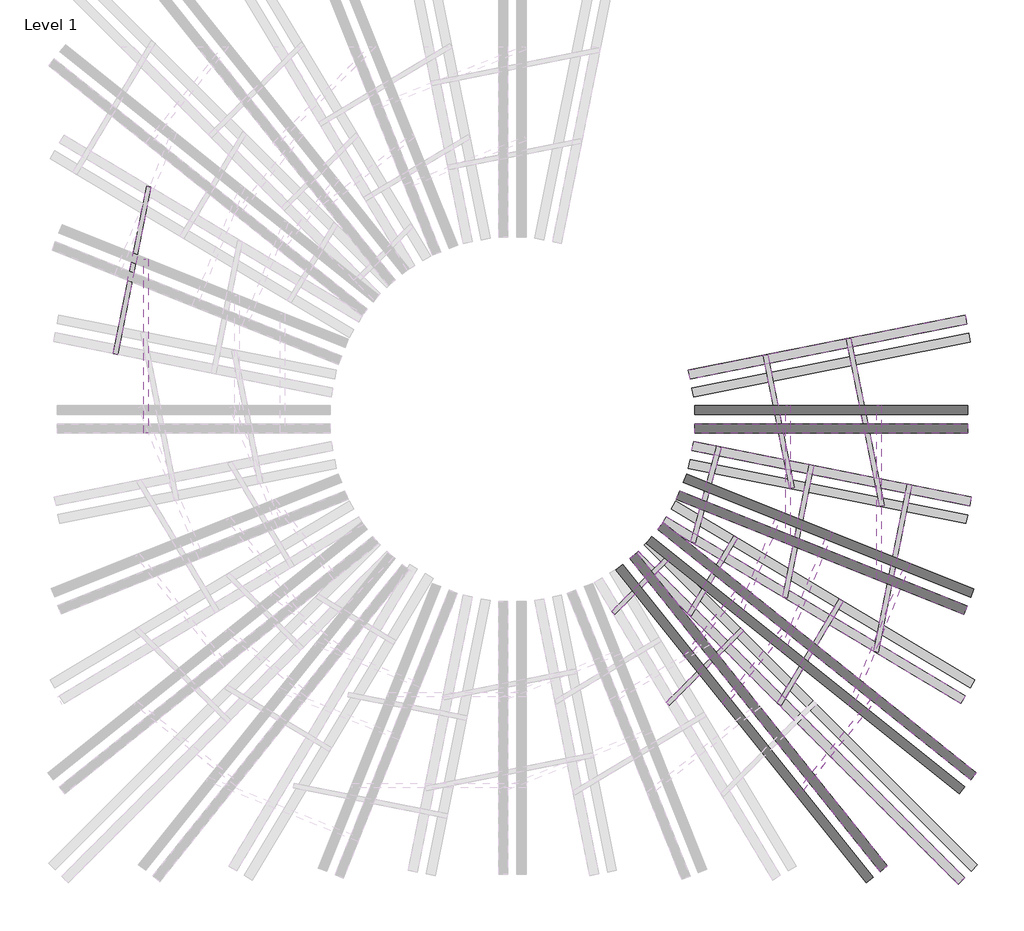
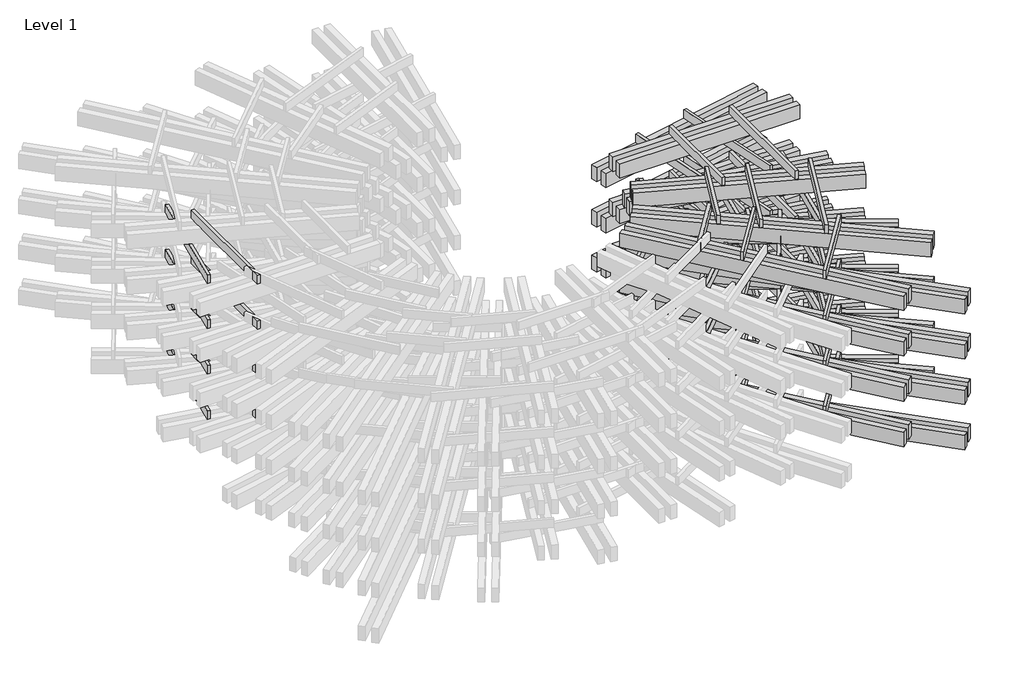
# One storey, part 3 of 4: 108 proxies.
"""IFC4 building model written with IfcOpenShell, lengths in millimetres."""

import ifcopenshell
import ifcopenshell.guid

model = None  # the IFC model being written
_history = None  # IfcOwnerHistory: only IFC2X3 demands one
_inside = {}  # id of a spatial element -> (the spatial element, [elements in it])
_under = {}  # id of a project, library or spatial element -> (it, [spatial elements below it])
_declared = {}  # id of a project -> (the project, [libraries it declares])
_typed = {}  # id of a type object -> (the type object, [elements of that type])
_made_of = {}  # id of a material, layer set ... -> (it, [elements and type objects made of it])


def new_model(schema):
    """Start an empty IFC model of exactly this schema.

    Asked for "IFC4X3", IfcOpenShell would pick the latest addendum, in which some entities
    have other attributes; the version numbers below select the first issue.
    IFC2X3 requires an IfcOwnerHistory on every rooted entity: one is made here for all.
    """
    global model, _history
    if schema == "IFC4X3":
        model = ifcopenshell.file(schema_version=(4, 3, 0, 0))
    else:
        model = ifcopenshell.file(schema=schema)
    _inside.clear()
    _under.clear()
    _declared.clear()
    _typed.clear()
    _made_of.clear()
    _history = None
    if model.schema == "IFC2X3":
        org = make("IfcOrganization", Name="unknown")
        user = make(
            "IfcPersonAndOrganization",
            ThePerson=make("IfcPerson", FamilyName="unknown"),
            TheOrganization=org,
        )
        app = make(
            "IfcApplication",
            ApplicationDeveloper=org,
            Version="unknown",
            ApplicationFullName="unknown",
            ApplicationIdentifier="unknown",
        )
        _history = make(
            "IfcOwnerHistory",
            OwningUser=user,
            OwningApplication=app,
            ChangeAction="ADDED",
            CreationDate=0,
        )
    return model


def make(cls, **values):
    """One entity of the class cls with the attributes given. An attribute that is None is left unset."""
    return model.create_entity(
        cls, **{name: value for name, value in values.items() if value is not None}
    )


def rooted(cls, **values):
    """An entity with a GlobalId (a new one), such as an element, a storey or a relation."""
    return make(cls, GlobalId=ifcopenshell.guid.new(), OwnerHistory=_history, **values)


def si_unit(unit_type, name, prefix=None):
    """IfcSIUnit, for example si_unit("LENGTHUNIT", "METRE", prefix="MILLI")."""
    return make("IfcSIUnit", UnitType=unit_type, Prefix=prefix, Name=name)


def assignment(units):
    """IfcUnitAssignment: the units of a project."""
    return None if units is None else make("IfcUnitAssignment", Units=units)


def point(xyz):
    """IfcCartesianPoint."""
    return None if xyz is None else make("IfcCartesianPoint", Coordinates=xyz)


def direction(xyz):
    """IfcDirection."""
    return None if xyz is None else make("IfcDirection", DirectionRatios=xyz)


def frame(location, z_axis=None, x_axis=None):
    """IfcAxis2Placement3D, a coordinate frame: its origin and axes. An axis left out is left unset."""
    return make(
        "IfcAxis2Placement3D",
        Location=point(location),
        Axis=direction(z_axis),
        RefDirection=direction(x_axis),
    )


def origin():
    """The frame at (0, 0, 0) with its axes left unset."""
    return frame((0.0, 0.0, 0.0))


def origin_with_axes():
    """The frame at (0, 0, 0) with the z axis (0, 0, 1) and the x axis (1, 0, 0) written out."""
    return frame((0.0, 0.0, 0.0), z_axis=(0.0, 0.0, 1.0), x_axis=(1.0, 0.0, 0.0))


def place(relative_to, where):
    """IfcLocalPlacement: puts the frame where relative to a parent placement (None: the world)."""
    return make(
        "IfcLocalPlacement", PlacementRelTo=relative_to, RelativePlacement=where
    )


def context(
    kind, dimensions, precision=None, world=None, true_north=None, identifier=None
):
    """IfcGeometricRepresentationContext, for example the 3D "Model" context."""
    return make(
        "IfcGeometricRepresentationContext",
        ContextIdentifier=identifier,
        ContextType=kind,
        CoordinateSpaceDimension=dimensions,
        Precision=precision,
        WorldCoordinateSystem=world,
        TrueNorth=true_north,
    )


def project(units=None, contexts=None):
    """IfcProject with its units and contexts."""
    return rooted(
        "IfcProject",
        Name="project",
        RepresentationContexts=contexts,
        UnitsInContext=assignment(units),
    )


def spatial(cls, under=None, at=None, **own):
    """A site, building, storey or space (cls), placed at a placement, below another one or the project."""
    s = rooted(cls, ObjectPlacement=at, **own)
    if under is not None:
        _under.setdefault(under.id(), (under, []))[1].append(s)
    return s


def polyline(points):
    """IfcPolyline through the points."""
    return make("IfcPolyline", Points=[point(p) for p in points])


def outline(outer, holes=None, kind="AREA"):
    """IfcArbitraryClosedProfileDef: a profile drawn as a closed curve; with holes, ...WithVoids."""
    if holes is None:
        return make("IfcArbitraryClosedProfileDef", ProfileType=kind, OuterCurve=outer)
    return make(
        "IfcArbitraryProfileDefWithVoids",
        ProfileType=kind,
        OuterCurve=outer,
        InnerCurves=holes,
    )


def extrude(swept, where, along, depth):
    """IfcExtrudedAreaSolid: the profile swept, set in the frame where, extruded along a direction by depth."""
    return make(
        "IfcExtrudedAreaSolid",
        SweptArea=swept,
        Position=where,
        ExtrudedDirection=direction(along),
        Depth=depth,
    )


def shape(context_of_items, identifier, shape_type, items):
    """IfcShapeRepresentation: the items that make up one representation, for example the "Body"."""
    return make(
        "IfcShapeRepresentation",
        ContextOfItems=context_of_items,
        RepresentationIdentifier=identifier,
        RepresentationType=shape_type,
        Items=items,
    )


def source(mapping_origin, context_of_items, identifier, shape_type, items):
    """IfcRepresentationMap: a shape defined once, which mapped items show again and again."""
    return make(
        "IfcRepresentationMap",
        MappingOrigin=mapping_origin,
        MappedRepresentation=shape(context_of_items, identifier, shape_type, items),
    )


def transform(
    local_origin,
    x_axis=None,
    y_axis=None,
    z_axis=None,
    scale=None,
    scale2=None,
    scale3=None,
    uniform=True,
):
    """IfcCartesianTransformationOperator3D, or its non-uniform kind. x_axis, y_axis, z_axis: its Axis1, 2, 3."""
    if uniform:
        return make(
            "IfcCartesianTransformationOperator3D",
            Axis1=direction(x_axis),
            Axis2=direction(y_axis),
            LocalOrigin=point(local_origin),
            Scale=scale,
            Axis3=direction(z_axis),
        )
    return make(
        "IfcCartesianTransformationOperator3DnonUniform",
        Axis1=direction(x_axis),
        Axis2=direction(y_axis),
        LocalOrigin=point(local_origin),
        Scale=scale,
        Axis3=direction(z_axis),
        Scale2=scale2,
        Scale3=scale3,
    )


def mapped(mapping_source, mapping_target):
    """IfcMappedItem: shows the shape of a source again, moved by a transform."""
    return make(
        "IfcMappedItem", MappingSource=mapping_source, MappingTarget=mapping_target
    )


def made_of(thing, what):
    """Note that an element or type object is made of a material, layer set ...; save() writes the relation."""
    if what is not None:
        _made_of.setdefault(what.id(), (what, []))[1].append(thing)
    return thing


def element(
    cls,
    number,
    at=None,
    inside=None,
    cuts=None,
    type_object=None,
    material=None,
    context=None,
    identifier="Body",
    shape_type=None,
    held_by="IfcProductDefinitionShape",
    body=None,
    shapes=None,
    **own,
):
    """One element of the class cls, such as IfcWall. Its Tag is "e" and its number.

    at: its placement. inside: the storey or other place that contains it. cuts: it is an
    opening in that element (IfcRelVoidsElement). A single representation is given by context,
    identifier, shape_type and body (its items); several are given by shapes. held_by: the class
    of the entity that holds the representations. save() writes the other relations.
    """
    e = rooted(cls, Tag="e%d" % number, ObjectPlacement=at, **own)
    if body is not None:
        shapes = [shape(context, identifier, shape_type, body)]
    if shapes is not None:
        e.Representation = make(held_by, Representations=shapes)
    if inside is not None:
        _inside.setdefault(inside.id(), (inside, []))[1].append(e)
    if cuts is not None:
        rooted(
            "IfcRelVoidsElement", RelatingBuildingElement=cuts, RelatedOpeningElement=e
        )
    if type_object is not None:
        _typed.setdefault(type_object.id(), (type_object, []))[1].append(e)
    return made_of(e, material)


def aggregate(whole, parts):
    """IfcRelAggregates: a whole, such as a stair, and the parts it consists of."""
    return rooted("IfcRelAggregates", RelatingObject=whole, RelatedObjects=parts)


def save(model, path):
    """Write the relations noted so far, then the file.

    IfcRelAggregates (storeys below a building ...), IfcRelContainedInSpatialStructure (elements
    in a storey), IfcRelDefinesByType, IfcRelAssociatesMaterial and IfcRelDeclares: one each for
    every whole, place, type object, material and project.
    """
    for whole, parts in _under.values():
        aggregate(whole, parts)
    for where, things in _inside.values():
        rooted(
            "IfcRelContainedInSpatialStructure",
            RelatedElements=things,
            RelatingStructure=where,
        )
    for kind, things in _typed.values():
        rooted("IfcRelDefinesByType", RelatedObjects=things, RelatingType=kind)
    for what, things in _made_of.values():
        rooted("IfcRelAssociatesMaterial", RelatedObjects=things, RelatingMaterial=what)
    for by, libraries in _declared.values():
        rooted("IfcRelDeclares", RelatingContext=by, RelatedDefinitions=libraries)
    model.write(path)


def generic_models_57731a55(model_context):
    return source(origin(), model_context, "Body", "SweptSolid", [
        extrude(outline(polyline([(7655.9985871, 300.0), (7655.9985871, 100.0), (0.0, 100.0), (0.0, 300.0), (7655.9985871, 300.0)])), origin_with_axes(), (0.0, 0.0, 1.0), 500.0),
        extrude(outline(polyline([(7655.9985871, -100.0), (7655.9985871, -300.0), (0.0, -300.0), (0.0, -100.0), (7655.9985871, -100.0)])), origin_with_axes(), (0.0, 0.0, 1.0), 500.0),
    ])


def generic_models_740deff8(model_context):
    return source(origin(), model_context, "Body", "SweptSolid", [
        extrude(outline(polyline([(10142.1356237, 300.0), (10142.1356237, 100.0), (0.0, 100.0), (0.0, 300.0), (10142.1356237, 300.0)])), origin_with_axes(), (0.0, 0.0, 1.0), 500.0),
        extrude(outline(polyline([(10142.1356237, -100.0), (10142.1356237, -300.0), (0.0, -300.0), (0.0, -100.0), (10142.1356237, -100.0)])), origin_with_axes(), (0.0, 0.0, 1.0), 500.0),
    ])


def generic_models_03fcefc6(model_context):
    return source(origin(), model_context, "Body", "SweptSolid", [
        extrude(outline(polyline([(6216.8468769, 300.0), (6216.8468769, 100.0), (0.0, 100.0), (0.0, 300.0), (6216.8468769, 300.0)])), origin_with_axes(), (0.0, 0.0, 1.0), 500.0),
        extrude(outline(polyline([(6216.8468769, -100.0), (6216.8468769, -300.0), (0.0, -300.0), (0.0, -100.0), (6216.8468769, -100.0)])), origin_with_axes(), (0.0, 0.0, 1.0), 500.0),
    ])


def generic_models_6dcbac5b(model_context):
    return source(origin(), model_context, "Body", "SweptSolid", [
        extrude(outline(polyline([(6197.2888721, 300.0), (6197.2888721, 100.0), (0.0, 100.0), (0.0, 300.0), (6197.2888721, 300.0)])), origin_with_axes(), (0.0, 0.0, 1.0), 500.0),
        extrude(outline(polyline([(6197.2888721, -100.0), (6197.2888721, -300.0), (0.0, -300.0), (0.0, -100.0), (6197.2888721, -100.0)])), origin_with_axes(), (0.0, 0.0, 1.0), 500.0),
    ])


def generic_models_d1bfbe83(model_context):
    return source(origin(), model_context, "Body", "SweptSolid", [
        extrude(outline(polyline([(3756.9821934, 0.0), (3756.9821934, -100.0), (0.0, -100.0), (0.0, 0.0), (3756.9821934, 0.0)])), origin_with_axes(), (0.0, 0.0, 1.0), 300.0),
    ])


def generic_models_bb149883(model_context):
    return source(origin(), model_context, "Body", "SweptSolid", [
        extrude(outline(polyline([(2311.22763, 0.0), (2311.22763, -100.0), (0.0, -100.0), (0.0, 0.0), (2311.22763, 0.0)])), origin_with_axes(), (0.0, 0.0, 1.0), 300.0),
    ])


def generic_models_1dce0b28(model_context):
    return source(origin(), model_context, "Body", "SweptSolid", [
        extrude(outline(polyline([(1743.9178764, 0.0), (1743.9178764, -100.0), (0.0, -100.0), (0.0, 0.0), (1743.9178764, 0.0)])), origin_with_axes(), (0.0, 0.0, 1.0), 300.0),
    ])


def generic_models_f671ce6b(model_context):
    return source(origin(), model_context, "Body", "SweptSolid", [
        extrude(outline(polyline([(1985.9237035, 0.0), (1985.9237035, -100.0), (0.0, -100.0), (0.0, 0.0), (1985.9237035, 0.0)])), origin_with_axes(), (0.0, 0.0, 1.0), 300.0),
    ])


def generic_models_fa1612b0(model_context):
    return source(origin(), model_context, "Body", "SweptSolid", [
        extrude(outline(polyline([(2967.5657531, 0.0), (2967.5657531, -100.0), (0.0, -100.0), (0.0, 0.0), (2967.5657531, 0.0)])), origin_with_axes(), (0.0, 0.0, 1.0), 300.0),
    ])


def generic_models_4e0c1b7c(model_context):
    return source(origin(), model_context, "Body", "SweptSolid", [
        extrude(outline(polyline([(3750.5861993, 0.0), (3750.5861993, -100.0), (0.0, -100.0), (0.0, 0.0), (3750.5861993, 0.0)])), origin_with_axes(), (0.0, 0.0, 1.0), 300.0),
    ])


def generic_models_72f4328a(model_context):
    return source(origin(), model_context, "Body", "SweptSolid", [
        extrude(outline(polyline([(2664.3824417, 0.0), (2664.3824417, -100.0), (0.0, -100.0), (0.0, 0.0), (2664.3824417, 0.0)])), origin_with_axes(), (0.0, 0.0, 1.0), 300.0),
    ])


def generic_models_48004717(model_context):
    return source(origin(), model_context, "Body", "SweptSolid", [
        extrude(outline(polyline([(2181.9201525, 0.0), (2181.9201525, -100.0), (0.0, -100.0), (0.0, 0.0), (2181.9201525, 0.0)])), origin_with_axes(), (0.0, 0.0, 1.0), 300.0),
    ])


def generic_models_be3216ea(model_context):
    return source(origin(), model_context, "Body", "SweptSolid", [
        extrude(outline(polyline([(2985.2252687, 0.0), (2985.2252687, -100.0), (0.0, -100.0), (0.0, 0.0), (2985.2252687, 0.0)])), origin_with_axes(), (0.0, 0.0, 1.0), 300.0),
    ])


def generic_models_71b755c9(model_context):
    return source(origin(), model_context, "Body", "SweptSolid", [
        extrude(outline(polyline([(8806.2484749, 300.0), (8806.2484749, 100.0), (0.0, 100.0), (0.0, 300.0), (8806.2484749, 300.0)])), origin_with_axes(), (0.0, 0.0, 1.0), 500.0),
        extrude(outline(polyline([(8806.2484749, -100.0), (8806.2484749, -300.0), (0.0, -300.0), (0.0, -100.0), (8806.2484749, -100.0)])), origin_with_axes(), (0.0, 0.0, 1.0), 500.0),
    ])


def generic_models_0ee42b4f(model_context):
    return source(origin(), model_context, "Body", "SweptSolid", [
        extrude(outline(polyline([(6000.0, 300.0), (6000.0, 100.0), (0.0, 100.0), (0.0, 300.0), (6000.0, 300.0)])), origin_with_axes(), (0.0, 0.0, 1.0), 500.0),
        extrude(outline(polyline([(6000.0, -100.0), (6000.0, -300.0), (0.0, -300.0), (0.0, -100.0), (6000.0, -100.0)])), origin_with_axes(), (0.0, 0.0, 1.0), 500.0),
    ])


def generic_models_72d8c497(model_context):
    return source(origin(), model_context, "Body", "SweptSolid", [
        extrude(outline(polyline([(6795.6208467, 300.0), (6795.6208467, 100.0), (0.0, 100.0), (0.0, 300.0), (6795.6208467, 300.0)])), origin_with_axes(), (0.0, 0.0, 1.0), 500.0),
        extrude(outline(polyline([(6795.6208467, -100.0), (6795.6208467, -300.0), (0.0, -300.0), (0.0, -100.0), (6795.6208467, -100.0)])), origin_with_axes(), (0.0, 0.0, 1.0), 500.0),
    ])


def generic_models_3bcea73a(model_context):
    return source(origin(), model_context, "Body", "SweptSolid", [
        extrude(outline(polyline([(3398.9017026, 0.0), (3398.9017026, -100.0), (0.0, -100.0), (0.0, 0.0), (3398.9017026, 0.0)])), origin_with_axes(), (0.0, 0.0, 1.0), 300.0),
    ])


def generic_models_ffb44adb(model_context):
    return source(origin(), model_context, "Body", "SweptSolid", [
        extrude(outline(polyline([(2841.8156881, 0.0), (2841.8156881, -100.0), (0.0, -100.0), (0.0, 0.0), (2841.8156881, 0.0)])), origin_with_axes(), (0.0, 0.0, 1.0), 300.0),
    ])


def generic_models_43e668eb(model_context):
    return source(origin(), model_context, "Body", "SweptSolid", [
        extrude(outline(polyline([(3823.1098884, 0.0), (3823.1098884, -100.0), (0.0, -100.0), (0.0, 0.0), (3823.1098884, 0.0)])), origin_with_axes(), (0.0, 0.0, 1.0), 300.0),
    ])


def generic_models_e5d6c564(model_context):
    return source(origin(), model_context, "Body", "SweptSolid", [
        extrude(outline(polyline([(3023.1098884, 0.0), (3023.1098884, -100.0), (0.0, -100.0), (0.0, 0.0), (3023.1098884, 0.0)])), origin_with_axes(), (0.0, 0.0, 1.0), 300.0),
    ])


def generic_models_5bc6048f(model_context):
    return source(origin(), model_context, "Body", "SweptSolid", [
        extrude(outline(polyline([(2292.5622345, 0.0), (2292.5622345, -100.0), (0.0, -100.0), (0.0, 0.0), (2292.5622345, 0.0)])), origin_with_axes(), (0.0, 0.0, 1.0), 300.0),
    ])


def generic_models_02835583(model_context):
    return source(origin(), model_context, "Body", "SweptSolid", [
        extrude(outline(polyline([(2020.0159728, 0.0), (2020.0159728, -100.0), (0.0, -100.0), (0.0, 0.0), (2020.0159728, 0.0)])), origin_with_axes(), (0.0, 0.0, 1.0), 300.0),
    ])


def generic_models_0e7b56c9(model_context):
    return source(origin(), model_context, "Body", "SweptSolid", [
        extrude(outline(polyline([(2483.2021432, 0.0), (2483.2021432, -100.0), (0.0, -100.0), (0.0, 0.0), (2483.2021432, 0.0)])), origin_with_axes(), (0.0, 0.0, 1.0), 300.0),
    ])


def generic_models_9be761a4(model_context):
    return source(origin(), model_context, "Body", "SweptSolid", [
        extrude(outline(polyline([(2854.2496461, 0.0), (2854.2496461, -100.0), (0.0, -100.0), (0.0, 0.0), (2854.2496461, 0.0)])), origin_with_axes(), (0.0, 0.0, 1.0), 300.0),
    ])


model = new_model("IFC4")

# Units and contexts
model_context = context("Model", 3, world=origin())
ifc_project = project(units=[si_unit("LENGTHUNIT", "METRE", prefix="MILLI")], contexts=[model_context])

# Site, building, storey
site = spatial("IfcSite", under=ifc_project)
building = spatial("IfcBuilding", under=site)
storey = spatial("IfcBuildingStorey", under=building, Name="Level 1", Elevation=0.0)

# Proxies
placement = place(None, origin())
generic_models_shape = generic_models_57731a55(model_context)
element("IfcBuildingElementProxy", 1, Name="Generic Models", at=placement, inside=storey, context=model_context, shape_type="MappedRepresentation", body=[
    mapped(generic_models_shape, transform((1375.6940168, -5246.7606397, 0.0), x_axis=(0.8579273517618619, -0.5137710181577766, 0.0), y_axis=(0.5137710181577766, 0.8579273517618619, 0.0), z_axis=(0.0, 0.0, 1.0))),
])
element("IfcBuildingElementProxy", 2, Name="Generic Models", at=placement, inside=storey, context=model_context, shape_type="MappedRepresentation", body=[
    mapped(generic_models_shape, transform((1375.6940168, -5246.7606397, 1600.0), x_axis=(0.8579273517618603, -0.5137710181577793, 0.0), y_axis=(0.5137710181577793, 0.8579273517618603, 0.0), z_axis=(0.0, 0.0, 1.0))),
])
element("IfcBuildingElementProxy", 3, Name="Generic Models", at=placement, inside=storey, context=model_context, shape_type="MappedRepresentation", body=[
    mapped(generic_models_shape, transform((1375.6940168, -5246.7606397, 3200.0), x_axis=(0.8579273517618603, -0.5137710181577793, 0.0), y_axis=(0.5137710181577793, 0.8579273517618603, 0.0), z_axis=(0.0, 0.0, 1.0))),
])
element("IfcBuildingElementProxy", 4, Name="Generic Models", at=placement, inside=storey, context=model_context, shape_type="MappedRepresentation", body=[
    mapped(generic_models_shape, transform((1375.6940168, -5246.7606397, 4800.0), x_axis=(0.8579273517618603, -0.5137710181577793, 0.0), y_axis=(0.5137710181577793, 0.8579273517618603, 0.0), z_axis=(0.0, 0.0, 1.0))),
])
generic_models_2_shape = generic_models_740deff8(model_context)
element("IfcBuildingElementProxy", 5, Name="Generic Models", at=placement, inside=storey, context=model_context, shape_type="MappedRepresentation", body=[
    mapped(generic_models_2_shape, transform((772.4117345, -6020.1036918, 0.0), x_axis=(0.7071067811865459, -0.7071067811865491, 0.0), y_axis=(0.7071067811865491, 0.7071067811865459, 0.0), z_axis=(0.0, 0.0, 1.0))),
])
element("IfcBuildingElementProxy", 6, Name="Generic Models", at=placement, inside=storey, context=model_context, shape_type="MappedRepresentation", body=[
    mapped(generic_models_2_shape, transform((772.4117345, -6020.1036918, 1600.0), x_axis=(0.7071067811865459, -0.7071067811865492, 0.0), y_axis=(0.7071067811865492, 0.7071067811865459, 0.0), z_axis=(0.0, 0.0, 1.0))),
])
element("IfcBuildingElementProxy", 7, Name="Generic Models", at=placement, inside=storey, context=model_context, shape_type="MappedRepresentation", body=[
    mapped(generic_models_2_shape, transform((772.4117345, -6020.1036918, 3200.0), x_axis=(0.7071067811865459, -0.7071067811865492, 0.0), y_axis=(0.7071067811865492, 0.7071067811865459, 0.0), z_axis=(0.0, 0.0, 1.0))),
])
element("IfcBuildingElementProxy", 8, Name="Generic Models", at=placement, inside=storey, context=model_context, shape_type="MappedRepresentation", body=[
    mapped(generic_models_2_shape, transform((772.4117345, -6020.1036918, 4800.0), x_axis=(0.7071067811865459, -0.7071067811865492, 0.0), y_axis=(0.7071067811865492, 0.7071067811865459, 0.0), z_axis=(0.0, 0.0, 1.0))),
])
generic_models_3_shape = generic_models_03fcefc6(model_context)
element("IfcBuildingElementProxy", 9, Name="Generic Models", at=placement, inside=storey, context=model_context, shape_type="MappedRepresentation", body=[
    mapped(generic_models_3_shape, transform((1866.5958549, -3974.6970133, 0.0), x_axis=(0.9806528112970722, -0.19575511154283826, 0.0), y_axis=(0.19575511154283826, 0.9806528112970722, 0.0), z_axis=(0.0, 0.0, 1.0))),
])
element("IfcBuildingElementProxy", 10, Name="Generic Models", at=placement, inside=storey, context=model_context, shape_type="MappedRepresentation", body=[
    mapped(generic_models_3_shape, transform((1866.5958549, -3974.6970133, 1600.0), x_axis=(0.9806528112970722, -0.19575511154283837, 0.0), y_axis=(0.19575511154283837, 0.9806528112970722, 0.0), z_axis=(0.0, 0.0, 1.0))),
])
element("IfcBuildingElementProxy", 11, Name="Generic Models", at=placement, inside=storey, context=model_context, shape_type="MappedRepresentation", body=[
    mapped(generic_models_3_shape, transform((1866.5958549, -3974.6970133, 3200.0), x_axis=(0.9806528112970722, -0.19575511154283837, 0.0), y_axis=(0.19575511154283837, 0.9806528112970722, 0.0), z_axis=(0.0, 0.0, 1.0))),
])
element("IfcBuildingElementProxy", 12, Name="Generic Models", at=placement, inside=storey, context=model_context, shape_type="MappedRepresentation", body=[
    mapped(generic_models_3_shape, transform((1866.5958549, -3974.6970133, 4800.0), x_axis=(0.9806528112970722, -0.19575511154283837, 0.0), y_axis=(0.19575511154283837, 0.9806528112970722, 0.0), z_axis=(0.0, 0.0, 1.0))),
])
generic_models_4_shape = generic_models_6dcbac5b(model_context)
element("IfcBuildingElementProxy", 13, Name="Generic Models", at=placement, inside=storey, context=model_context, shape_type="MappedRepresentation", body=[
    mapped(generic_models_4_shape, transform((1866.5958549, -2408.6561209, 0.0), x_axis=(0.9806528112970727, 0.19575511154283512, 0.0), y_axis=(-0.19575511154283512, 0.9806528112970727, 0.0), z_axis=(0.0, 0.0, 1.0))),
])
element("IfcBuildingElementProxy", 14, Name="Generic Models", at=placement, inside=storey, context=model_context, shape_type="MappedRepresentation", body=[
    mapped(generic_models_4_shape, transform((1866.5958549, -2408.6561209, 1600.0), x_axis=(0.9806528112970727, 0.19575511154283512, 0.0), y_axis=(-0.19575511154283512, 0.9806528112970727, 0.0), z_axis=(0.0, 0.0, 1.0))),
])
element("IfcBuildingElementProxy", 15, Name="Generic Models", at=placement, inside=storey, context=model_context, shape_type="MappedRepresentation", body=[
    mapped(generic_models_4_shape, transform((1866.5958549, -2408.6561209, 3200.0), x_axis=(0.9806528112970727, 0.19575511154283512, 0.0), y_axis=(-0.19575511154283512, 0.9806528112970727, 0.0), z_axis=(0.0, 0.0, 1.0))),
])
element("IfcBuildingElementProxy", 16, Name="Generic Models", at=placement, inside=storey, context=model_context, shape_type="MappedRepresentation", body=[
    mapped(generic_models_4_shape, transform((1866.5958549, -2408.6561209, 4800.0), x_axis=(0.9806528112970727, 0.19575511154283512, 0.0), y_axis=(-0.19575511154283512, 0.9806528112970727, 0.0), z_axis=(0.0, 0.0, 1.0))),
])
generic_models_5_shape = generic_models_d1bfbe83(model_context)
element("IfcBuildingElementProxy", 17, Name="Generic Models", at=placement, inside=storey, context=model_context, shape_type="MappedRepresentation", body=[
    mapped(generic_models_5_shape, transform((6007.5855255, -5107.2282027, 500.0), x_axis=(-0.1957551115428336, 0.9806528112970732, 0.0), y_axis=(-0.9806528112970732, -0.1957551115428336, 0.0), z_axis=(0.0, 0.0, 1.0))),
])
element("IfcBuildingElementProxy", 18, Name="Generic Models", at=placement, inside=storey, context=model_context, shape_type="MappedRepresentation", body=[
    mapped(generic_models_5_shape, transform((6007.5855255, -5107.2282027, 2100.0), x_axis=(-0.1957551115428336, 0.9806528112970732, 0.0), y_axis=(-0.9806528112970732, -0.1957551115428336, 0.0), z_axis=(0.0, 0.0, 1.0))),
])
element("IfcBuildingElementProxy", 19, Name="Generic Models", at=placement, inside=storey, context=model_context, shape_type="MappedRepresentation", body=[
    mapped(generic_models_5_shape, transform((6007.5855255, -5107.2282027, 3700.0), x_axis=(-0.1957551115428336, 0.9806528112970732, 0.0), y_axis=(-0.9806528112970732, -0.1957551115428336, 0.0), z_axis=(0.0, 0.0, 1.0))),
])
element("IfcBuildingElementProxy", 20, Name="Generic Models", at=placement, inside=storey, context=model_context, shape_type="MappedRepresentation", body=[
    mapped(generic_models_5_shape, transform((6007.5855255, -5107.2282027, 5300.0), x_axis=(-0.1957551115428336, 0.9806528112970732, 0.0), y_axis=(-0.9806528112970732, -0.1957551115428336, 0.0), z_axis=(0.0, 0.0, 1.0))),
])
generic_models_6_shape = generic_models_bb149883(model_context)
element("IfcBuildingElementProxy", 21, Name="Generic Models", at=placement, inside=storey, context=model_context, shape_type="MappedRepresentation", body=[
    mapped(generic_models_6_shape, transform((1318.3861926, -9410.3835413, 500.0), x_axis=(0.7071067811865481, 0.707106781186547, 0.0), y_axis=(-0.707106781186547, 0.7071067811865481, 0.0), z_axis=(0.0, 0.0, 1.0))),
])
element("IfcBuildingElementProxy", 22, Name="Generic Models", at=placement, inside=storey, context=model_context, shape_type="MappedRepresentation", body=[
    mapped(generic_models_6_shape, transform((1318.3861926, -9410.3835413, 2100.0), x_axis=(0.7071067811865481, 0.707106781186547, 0.0), y_axis=(-0.707106781186547, 0.7071067811865481, 0.0), z_axis=(0.0, 0.0, 1.0))),
])
element("IfcBuildingElementProxy", 23, Name="Generic Models", at=placement, inside=storey, context=model_context, shape_type="MappedRepresentation", body=[
    mapped(generic_models_6_shape, transform((1318.3861926, -9410.3835413, 3700.0), x_axis=(0.7071067811865481, 0.707106781186547, 0.0), y_axis=(-0.707106781186547, 0.7071067811865481, 0.0), z_axis=(0.0, 0.0, 1.0))),
])
element("IfcBuildingElementProxy", 24, Name="Generic Models", at=placement, inside=storey, context=model_context, shape_type="MappedRepresentation", body=[
    mapped(generic_models_6_shape, transform((1318.3861926, -9410.3835413, 5300.0), x_axis=(0.7071067811865481, 0.707106781186547, 0.0), y_axis=(-0.707106781186547, 0.7071067811865481, 0.0), z_axis=(0.0, 0.0, 1.0))),
])
generic_models_7_shape = generic_models_1dce0b28(model_context)
element("IfcBuildingElementProxy", 25, Name="Generic Models", at=placement, inside=storey, context=model_context, shape_type="MappedRepresentation", body=[
    mapped(generic_models_7_shape, transform((120.6833403, -7410.3835413, 500.0), x_axis=(0.7071067811865483, 0.7071067811865468, 0.0), y_axis=(-0.7071067811865468, 0.7071067811865483, 0.0), z_axis=(0.0, 0.0, 1.0))),
])
element("IfcBuildingElementProxy", 26, Name="Generic Models", at=placement, inside=storey, context=model_context, shape_type="MappedRepresentation", body=[
    mapped(generic_models_7_shape, transform((120.6833403, -7410.3835413, 2100.0), x_axis=(0.7071067811865483, 0.7071067811865468, 0.0), y_axis=(-0.7071067811865468, 0.7071067811865483, 0.0), z_axis=(0.0, 0.0, 1.0))),
])
element("IfcBuildingElementProxy", 27, Name="Generic Models", at=placement, inside=storey, context=model_context, shape_type="MappedRepresentation", body=[
    mapped(generic_models_7_shape, transform((120.6833403, -7410.3835413, 3700.0), x_axis=(0.7071067811865483, 0.7071067811865468, 0.0), y_axis=(-0.7071067811865468, 0.7071067811865483, 0.0), z_axis=(0.0, 0.0, 1.0))),
])
element("IfcBuildingElementProxy", 28, Name="Generic Models", at=placement, inside=storey, context=model_context, shape_type="MappedRepresentation", body=[
    mapped(generic_models_7_shape, transform((120.6833403, -7410.3835413, 5300.0), x_axis=(0.7071067811865483, 0.7071067811865468, 0.0), y_axis=(-0.7071067811865468, 0.7071067811865483, 0.0), z_axis=(0.0, 0.0, 1.0))),
])
generic_models_8_shape = generic_models_f671ce6b(model_context)
element("IfcBuildingElementProxy", 29, Name="Generic Models", at=placement, inside=storey, context=model_context, shape_type="MappedRepresentation", body=[
    mapped(generic_models_8_shape, transform((1785.0760717, -7457.0320978, 500.0), x_axis=(0.5137710181577778, 0.8579273517618613, 0.0), y_axis=(-0.8579273517618613, 0.5137710181577778, 0.0), z_axis=(0.0, 0.0, 1.0))),
])
element("IfcBuildingElementProxy", 30, Name="Generic Models", at=placement, inside=storey, context=model_context, shape_type="MappedRepresentation", body=[
    mapped(generic_models_8_shape, transform((1785.0760717, -7457.0320978, 2100.0), x_axis=(0.5137710181577778, 0.8579273517618613, 0.0), y_axis=(-0.8579273517618613, 0.5137710181577778, 0.0), z_axis=(0.0, 0.0, 1.0))),
])
element("IfcBuildingElementProxy", 31, Name="Generic Models", at=placement, inside=storey, context=model_context, shape_type="MappedRepresentation", body=[
    mapped(generic_models_8_shape, transform((1785.0760717, -7457.0320978, 3700.0), x_axis=(0.5137710181577778, 0.8579273517618613, 0.0), y_axis=(-0.8579273517618613, 0.5137710181577778, 0.0), z_axis=(0.0, 0.0, 1.0))),
])
element("IfcBuildingElementProxy", 32, Name="Generic Models", at=placement, inside=storey, context=model_context, shape_type="MappedRepresentation", body=[
    mapped(generic_models_8_shape, transform((1785.0760717, -7457.0320978, 5300.0), x_axis=(0.5137710181577778, 0.8579273517618613, 0.0), y_axis=(-0.8579273517618613, 0.5137710181577778, 0.0), z_axis=(0.0, 0.0, 1.0))),
])
generic_models_9_shape = generic_models_fa1612b0(model_context)
element("IfcBuildingElementProxy", 33, Name="Generic Models", at=placement, inside=storey, context=model_context, shape_type="MappedRepresentation", body=[
    mapped(generic_models_9_shape, transform((3881.6357425, -7097.1273737, 500.0), x_axis=(0.19575511154283703, 0.9806528112970725, 0.0), y_axis=(-0.9806528112970725, 0.19575511154283703, 0.0), z_axis=(0.0, 0.0, 1.0))),
])
element("IfcBuildingElementProxy", 34, Name="Generic Models", at=placement, inside=storey, context=model_context, shape_type="MappedRepresentation", body=[
    mapped(generic_models_9_shape, transform((3881.6357425, -7097.1273737, 2100.0), x_axis=(0.19575511154283703, 0.9806528112970725, 0.0), y_axis=(-0.9806528112970725, 0.19575511154283703, 0.0), z_axis=(0.0, 0.0, 1.0))),
])
element("IfcBuildingElementProxy", 35, Name="Generic Models", at=placement, inside=storey, context=model_context, shape_type="MappedRepresentation", body=[
    mapped(generic_models_9_shape, transform((3881.6357425, -7097.1273737, 3700.0), x_axis=(0.19575511154283703, 0.9806528112970725, 0.0), y_axis=(-0.9806528112970725, 0.19575511154283703, 0.0), z_axis=(0.0, 0.0, 1.0))),
])
element("IfcBuildingElementProxy", 36, Name="Generic Models", at=placement, inside=storey, context=model_context, shape_type="MappedRepresentation", body=[
    mapped(generic_models_9_shape, transform((3881.6357425, -7097.1273737, 5300.0), x_axis=(0.19575511154283703, 0.9806528112970725, 0.0), y_axis=(-0.9806528112970725, 0.19575511154283703, 0.0), z_axis=(0.0, 0.0, 1.0))),
])
generic_models_10_shape = generic_models_4e0c1b7c(model_context)
element("IfcBuildingElementProxy", 37, Name="Generic Models", at=placement, inside=storey, context=model_context, shape_type="MappedRepresentation", body=[
    mapped(generic_models_10_shape, transform((-9993.666523, 1911.4770919, 500.0), x_axis=(-0.19575511154283684, -0.9806528112970724, 0.0), y_axis=(0.9806528112970724, -0.19575511154283684, 0.0), z_axis=(0.0, 0.0, 1.0))),
])
element("IfcBuildingElementProxy", 38, Name="Generic Models", at=placement, inside=storey, context=model_context, shape_type="MappedRepresentation", body=[
    mapped(generic_models_10_shape, transform((5881.6357425, -8294.8302261, 500.0), x_axis=(0.19575511154283698, 0.9806528112970724, 0.0), y_axis=(-0.9806528112970724, 0.19575511154283698, 0.0), z_axis=(0.0, 0.0, 1.0))),
])
element("IfcBuildingElementProxy", 39, Name="Generic Models", at=placement, inside=storey, context=model_context, shape_type="MappedRepresentation", body=[
    mapped(generic_models_10_shape, transform((-9993.666523, 1911.4770919, 2100.0), x_axis=(-0.19575511154283684, -0.9806528112970724, 0.0), y_axis=(0.9806528112970724, -0.19575511154283684, 0.0), z_axis=(0.0, 0.0, 1.0))),
])
element("IfcBuildingElementProxy", 40, Name="Generic Models", at=placement, inside=storey, context=model_context, shape_type="MappedRepresentation", body=[
    mapped(generic_models_10_shape, transform((5881.6357425, -8294.8302261, 2100.0), x_axis=(0.19575511154283698, 0.9806528112970724, 0.0), y_axis=(-0.9806528112970724, 0.19575511154283698, 0.0), z_axis=(0.0, 0.0, 1.0))),
])
element("IfcBuildingElementProxy", 41, Name="Generic Models", at=placement, inside=storey, context=model_context, shape_type="MappedRepresentation", body=[
    mapped(generic_models_10_shape, transform((-9993.666523, 1911.4770919, 3700.0), x_axis=(-0.19575511154283684, -0.9806528112970724, 0.0), y_axis=(0.9806528112970724, -0.19575511154283684, 0.0), z_axis=(0.0, 0.0, 1.0))),
])
element("IfcBuildingElementProxy", 42, Name="Generic Models", at=placement, inside=storey, context=model_context, shape_type="MappedRepresentation", body=[
    mapped(generic_models_10_shape, transform((5881.6357425, -8294.8302261, 3700.0), x_axis=(0.19575511154283698, 0.9806528112970724, 0.0), y_axis=(-0.9806528112970724, 0.19575511154283698, 0.0), z_axis=(0.0, 0.0, 1.0))),
])
element("IfcBuildingElementProxy", 43, Name="Generic Models", at=placement, inside=storey, context=model_context, shape_type="MappedRepresentation", body=[
    mapped(generic_models_10_shape, transform((-9993.666523, 1911.4770919, 5300.0), x_axis=(-0.19575511154283684, -0.9806528112970724, 0.0), y_axis=(0.9806528112970724, -0.19575511154283684, 0.0), z_axis=(0.0, 0.0, 1.0))),
])
element("IfcBuildingElementProxy", 44, Name="Generic Models", at=placement, inside=storey, context=model_context, shape_type="MappedRepresentation", body=[
    mapped(generic_models_10_shape, transform((5881.6357425, -8294.8302261, 5300.0), x_axis=(0.19575511154283698, 0.9806528112970724, 0.0), y_axis=(-0.9806528112970724, 0.19575511154283698, 0.0), z_axis=(0.0, 0.0, 1.0))),
])
generic_models_11_shape = generic_models_72f4328a(model_context)
element("IfcBuildingElementProxy", 45, Name="Generic Models", at=placement, inside=storey, context=model_context, shape_type="MappedRepresentation", body=[
    mapped(generic_models_11_shape, transform((3756.4439414, -9428.3999675, 500.0), x_axis=(0.5137710181577776, 0.8579273517618614, 0.0), y_axis=(-0.8579273517618614, 0.5137710181577776, 0.0), z_axis=(0.0, 0.0, 1.0))),
])
element("IfcBuildingElementProxy", 46, Name="Generic Models", at=placement, inside=storey, context=model_context, shape_type="MappedRepresentation", body=[
    mapped(generic_models_11_shape, transform((3756.4439414, -9428.3999675, 2100.0), x_axis=(0.5137710181577776, 0.8579273517618614, 0.0), y_axis=(-0.8579273517618614, 0.5137710181577776, 0.0), z_axis=(0.0, 0.0, 1.0))),
])
element("IfcBuildingElementProxy", 47, Name="Generic Models", at=placement, inside=storey, context=model_context, shape_type="MappedRepresentation", body=[
    mapped(generic_models_11_shape, transform((3756.4439414, -9428.3999675, 3700.0), x_axis=(0.5137710181577776, 0.8579273517618614, 0.0), y_axis=(-0.8579273517618614, 0.5137710181577776, 0.0), z_axis=(0.0, 0.0, 1.0))),
])
element("IfcBuildingElementProxy", 48, Name="Generic Models", at=placement, inside=storey, context=model_context, shape_type="MappedRepresentation", body=[
    mapped(generic_models_11_shape, transform((3756.4439414, -9428.3999675, 5300.0), x_axis=(0.5137710181577776, 0.8579273517618614, 0.0), y_axis=(-0.8579273517618614, 0.5137710181577776, 0.0), z_axis=(0.0, 0.0, 1.0))),
])
generic_models_12_shape = generic_models_48004717(model_context)
element("IfcBuildingElementProxy", 49, Name="Generic Models", at=placement, inside=storey, context=model_context, shape_type="MappedRepresentation", body=[
    mapped(generic_models_12_shape, transform((1863.2439375, -5888.4105627, 500.0), x_axis=(0.25881904510252185, 0.9659258262890681, 0.0), y_axis=(-0.9659258262890681, 0.25881904510252185, 0.0), z_axis=(0.0, 0.0, 1.0))),
])
element("IfcBuildingElementProxy", 50, Name="Generic Models", at=placement, inside=storey, context=model_context, shape_type="MappedRepresentation", body=[
    mapped(generic_models_12_shape, transform((1863.2439375, -5888.4105627, 2100.0), x_axis=(0.25881904510252185, 0.9659258262890681, 0.0), y_axis=(-0.9659258262890681, 0.25881904510252185, 0.0), z_axis=(0.0, 0.0, 1.0))),
])
element("IfcBuildingElementProxy", 51, Name="Generic Models", at=placement, inside=storey, context=model_context, shape_type="MappedRepresentation", body=[
    mapped(generic_models_12_shape, transform((1863.2439375, -5888.4105627, 3700.0), x_axis=(0.25881904510252185, 0.9659258262890681, 0.0), y_axis=(-0.9659258262890681, 0.25881904510252185, 0.0), z_axis=(0.0, 0.0, 1.0))),
])
element("IfcBuildingElementProxy", 52, Name="Generic Models", at=placement, inside=storey, context=model_context, shape_type="MappedRepresentation", body=[
    mapped(generic_models_12_shape, transform((1863.2439375, -5888.4105627, 5300.0), x_axis=(0.25881904510252185, 0.9659258262890681, 0.0), y_axis=(-0.9659258262890681, 0.25881904510252185, 0.0), z_axis=(0.0, 0.0, 1.0))),
])
generic_models_13_shape = generic_models_be3216ea(model_context)
element("IfcBuildingElementProxy", 53, Name="Generic Models", at=placement, inside=storey, context=model_context, shape_type="MappedRepresentation", body=[
    mapped(generic_models_13_shape, transform((4036.3549441, -4713.7367878, 500.0), x_axis=(-0.19575511154283373, 0.980652811297073, 0.0), y_axis=(-0.980652811297073, -0.19575511154283373, 0.0), z_axis=(0.0, 0.0, 1.0))),
])
element("IfcBuildingElementProxy", 54, Name="Generic Models", at=placement, inside=storey, context=model_context, shape_type="MappedRepresentation", body=[
    mapped(generic_models_13_shape, transform((4036.3549441, -4713.7367878, 2100.0), x_axis=(-0.19575511154283373, 0.980652811297073, 0.0), y_axis=(-0.980652811297073, -0.19575511154283373, 0.0), z_axis=(0.0, 0.0, 1.0))),
])
element("IfcBuildingElementProxy", 55, Name="Generic Models", at=placement, inside=storey, context=model_context, shape_type="MappedRepresentation", body=[
    mapped(generic_models_13_shape, transform((4036.3549441, -4713.7367878, 3700.0), x_axis=(-0.19575511154283373, 0.980652811297073, 0.0), y_axis=(-0.980652811297073, -0.19575511154283373, 0.0), z_axis=(0.0, 0.0, 1.0))),
])
element("IfcBuildingElementProxy", 56, Name="Generic Models", at=placement, inside=storey, context=model_context, shape_type="MappedRepresentation", body=[
    mapped(generic_models_13_shape, transform((4036.3549441, -4713.7367878, 5300.0), x_axis=(-0.19575511154283373, 0.980652811297073, 0.0), y_axis=(-0.980652811297073, -0.19575511154283373, 0.0), z_axis=(0.0, 0.0, 1.0))),
])
generic_models_14_shape = generic_models_71b755c9(model_context)
element("IfcBuildingElementProxy", 57, Name="Generic Models", at=placement, inside=storey, context=model_context, shape_type="MappedRepresentation", body=[
    mapped(generic_models_14_shape, transform((442.7648, -6315.1518049, 800.0), x_axis=(0.62469504755442, -0.7808688094430339, 0.0), y_axis=(0.7808688094430339, 0.62469504755442, 0.0), z_axis=(0.0, 0.0, 1.0))),
])
element("IfcBuildingElementProxy", 58, Name="Generic Models", at=placement, inside=storey, context=model_context, shape_type="MappedRepresentation", body=[
    mapped(generic_models_14_shape, transform((1067.4598475, -5690.4567573, 800.0), x_axis=(0.7808688094430265, -0.6246950475544291, 0.0), y_axis=(0.6246950475544291, 0.7808688094430265, 0.0), z_axis=(0.0, 0.0, 1.0))),
])
element("IfcBuildingElementProxy", 59, Name="Generic Models", at=placement, inside=storey, context=model_context, shape_type="MappedRepresentation", body=[
    mapped(generic_models_14_shape, transform((442.7648, -6315.1518049, 2400.0), x_axis=(0.62469504755442, -0.7808688094430339, 0.0), y_axis=(0.7808688094430339, 0.62469504755442, 0.0), z_axis=(0.0, 0.0, 1.0))),
])
element("IfcBuildingElementProxy", 60, Name="Generic Models", at=placement, inside=storey, context=model_context, shape_type="MappedRepresentation", body=[
    mapped(generic_models_14_shape, transform((1067.4598475, -5690.4567573, 2400.0), x_axis=(0.7808688094430265, -0.6246950475544291, 0.0), y_axis=(0.6246950475544291, 0.7808688094430265, 0.0), z_axis=(0.0, 0.0, 1.0))),
])
element("IfcBuildingElementProxy", 61, Name="Generic Models", at=placement, inside=storey, context=model_context, shape_type="MappedRepresentation", body=[
    mapped(generic_models_14_shape, transform((442.7648, -6315.1518049, 4000.0), x_axis=(0.62469504755442, -0.7808688094430339, 0.0), y_axis=(0.7808688094430339, 0.62469504755442, 0.0), z_axis=(0.0, 0.0, 1.0))),
])
element("IfcBuildingElementProxy", 62, Name="Generic Models", at=placement, inside=storey, context=model_context, shape_type="MappedRepresentation", body=[
    mapped(generic_models_14_shape, transform((1067.4598475, -5690.4567573, 4000.0), x_axis=(0.7808688094430265, -0.6246950475544291, 0.0), y_axis=(0.6246950475544291, 0.7808688094430265, 0.0), z_axis=(0.0, 0.0, 1.0))),
])
element("IfcBuildingElementProxy", 63, Name="Generic Models", at=placement, inside=storey, context=model_context, shape_type="MappedRepresentation", body=[
    mapped(generic_models_14_shape, transform((442.7648, -6315.1518049, 5600.0), x_axis=(0.62469504755442, -0.7808688094430339, 0.0), y_axis=(0.7808688094430339, 0.62469504755442, 0.0), z_axis=(0.0, 0.0, 1.0))),
])
element("IfcBuildingElementProxy", 64, Name="Generic Models", at=placement, inside=storey, context=model_context, shape_type="MappedRepresentation", body=[
    mapped(generic_models_14_shape, transform((1067.4598475, -5690.4567573, 5600.0), x_axis=(0.7808688094430265, -0.6246950475544291, 0.0), y_axis=(0.6246950475544291, 0.7808688094430265, 0.0), z_axis=(0.0, 0.0, 1.0))),
])
generic_models_15_shape = generic_models_0ee42b4f(model_context)
element("IfcBuildingElementProxy", 65, Name="Generic Models", at=placement, inside=storey, context=model_context, shape_type="MappedRepresentation", body=[
    mapped(generic_models_15_shape, transform((1943.9846098, -3191.6765671, 800.0), x_axis=(1.0, 0.0, 0.0), y_axis=(0.0, 1.0, 0.0), z_axis=(0.0, 0.0, 1.0))),
])
element("IfcBuildingElementProxy", 66, Name="Generic Models", at=placement, inside=storey, context=model_context, shape_type="MappedRepresentation", body=[
    mapped(generic_models_15_shape, transform((1943.9846098, -3191.6765671, 2400.0), x_axis=(1.0, 0.0, 0.0), y_axis=(0.0, 1.0, 0.0), z_axis=(0.0, 0.0, 1.0))),
])
element("IfcBuildingElementProxy", 67, Name="Generic Models", at=placement, inside=storey, context=model_context, shape_type="MappedRepresentation", body=[
    mapped(generic_models_15_shape, transform((1943.9846098, -3191.6765671, 4000.0), x_axis=(1.0, 0.0, 0.0), y_axis=(0.0, 1.0, 0.0), z_axis=(0.0, 0.0, 1.0))),
])
element("IfcBuildingElementProxy", 68, Name="Generic Models", at=placement, inside=storey, context=model_context, shape_type="MappedRepresentation", body=[
    mapped(generic_models_15_shape, transform((1943.9846098, -3191.6765671, 5600.0), x_axis=(1.0, 0.0, 0.0), y_axis=(0.0, 1.0, 0.0), z_axis=(0.0, 0.0, 1.0))),
])
generic_models_16_shape = generic_models_72d8c497(model_context)
element("IfcBuildingElementProxy", 69, Name="Generic Models", at=placement, inside=storey, context=model_context, shape_type="MappedRepresentation", body=[
    mapped(generic_models_16_shape, transform((1657.8913733, -4677.2392725, 800.0), x_axis=(0.928476690885257, -0.37139067635410955, 0.0), y_axis=(0.37139067635410955, 0.928476690885257, 0.0), z_axis=(0.0, 0.0, 1.0))),
])
element("IfcBuildingElementProxy", 70, Name="Generic Models", at=placement, inside=storey, context=model_context, shape_type="MappedRepresentation", body=[
    mapped(generic_models_16_shape, transform((1657.8913733, -4677.2392725, 2400.0), x_axis=(0.928476690885257, -0.37139067635410955, 0.0), y_axis=(0.37139067635410955, 0.928476690885257, 0.0), z_axis=(0.0, 0.0, 1.0))),
])
element("IfcBuildingElementProxy", 71, Name="Generic Models", at=placement, inside=storey, context=model_context, shape_type="MappedRepresentation", body=[
    mapped(generic_models_16_shape, transform((1657.8913733, -4677.2392725, 4000.0), x_axis=(0.928476690885257, -0.37139067635410955, 0.0), y_axis=(0.37139067635410955, 0.928476690885257, 0.0), z_axis=(0.0, 0.0, 1.0))),
])
element("IfcBuildingElementProxy", 72, Name="Generic Models", at=placement, inside=storey, context=model_context, shape_type="MappedRepresentation", body=[
    mapped(generic_models_16_shape, transform((1657.8913733, -4677.2392725, 5600.0), x_axis=(0.928476690885257, -0.37139067635410955, 0.0), y_axis=(0.37139067635410955, 0.928476690885257, 0.0), z_axis=(0.0, 0.0, 1.0))),
])
generic_models_17_shape = generic_models_3bcea73a(model_context)
element("IfcBuildingElementProxy", 73, Name="Generic Models", at=placement, inside=storey, context=model_context, shape_type="MappedRepresentation", body=[
    mapped(generic_models_17_shape, transform((5327.5641691, -9482.7276688, 1300.0), x_axis=(0.3713906763541084, 0.9284766908852574, 0.0), y_axis=(-0.9284766908852574, 0.3713906763541084, 0.0), z_axis=(0.0, 0.0, 1.0))),
])
element("IfcBuildingElementProxy", 74, Name="Generic Models", at=placement, inside=storey, context=model_context, shape_type="MappedRepresentation", body=[
    mapped(generic_models_17_shape, transform((5327.5641691, -9482.7276688, 2900.0), x_axis=(0.3713906763541084, 0.9284766908852574, 0.0), y_axis=(-0.9284766908852574, 0.3713906763541084, 0.0), z_axis=(0.0, 0.0, 1.0))),
])
element("IfcBuildingElementProxy", 75, Name="Generic Models", at=placement, inside=storey, context=model_context, shape_type="MappedRepresentation", body=[
    mapped(generic_models_17_shape, transform((5327.5641691, -9482.7276688, 4500.0), x_axis=(0.3713906763541084, 0.9284766908852574, 0.0), y_axis=(-0.9284766908852574, 0.3713906763541084, 0.0), z_axis=(0.0, 0.0, 1.0))),
])
element("IfcBuildingElementProxy", 76, Name="Generic Models", at=placement, inside=storey, context=model_context, shape_type="MappedRepresentation", body=[
    mapped(generic_models_17_shape, transform((5327.5641691, -9482.7276688, 6100.0), x_axis=(0.3713906763541084, 0.9284766908852574, 0.0), y_axis=(-0.9284766908852574, 0.3713906763541084, 0.0), z_axis=(0.0, 0.0, 1.0))),
])
generic_models_18_shape = generic_models_ffb44adb(model_context)
element("IfcBuildingElementProxy", 77, Name="Generic Models", at=placement, inside=storey, context=model_context, shape_type="MappedRepresentation", body=[
    mapped(generic_models_18_shape, transform((3827.5641691, -8282.7276688, 1300.0), x_axis=(0.3713906763541082, 0.9284766908852575, 0.0), y_axis=(-0.9284766908852575, 0.3713906763541082, 0.0), z_axis=(0.0, 0.0, 1.0))),
])
element("IfcBuildingElementProxy", 78, Name="Generic Models", at=placement, inside=storey, context=model_context, shape_type="MappedRepresentation", body=[
    mapped(generic_models_18_shape, transform((3827.5641691, -8282.7276688, 2900.0), x_axis=(0.3713906763541082, 0.9284766908852575, 0.0), y_axis=(-0.9284766908852575, 0.3713906763541082, 0.0), z_axis=(0.0, 0.0, 1.0))),
])
element("IfcBuildingElementProxy", 79, Name="Generic Models", at=placement, inside=storey, context=model_context, shape_type="MappedRepresentation", body=[
    mapped(generic_models_18_shape, transform((3827.5641691, -8282.7276688, 4500.0), x_axis=(0.3713906763541082, 0.9284766908852575, 0.0), y_axis=(-0.9284766908852575, 0.3713906763541082, 0.0), z_axis=(0.0, 0.0, 1.0))),
])
element("IfcBuildingElementProxy", 80, Name="Generic Models", at=placement, inside=storey, context=model_context, shape_type="MappedRepresentation", body=[
    mapped(generic_models_18_shape, transform((3827.5641691, -8282.7276688, 6100.0), x_axis=(0.3713906763541082, 0.9284766908852575, 0.0), y_axis=(-0.9284766908852575, 0.3713906763541082, 0.0), z_axis=(0.0, 0.0, 1.0))),
])
generic_models_19_shape = generic_models_43e668eb(model_context)
element("IfcBuildingElementProxy", 81, Name="Generic Models", at=placement, inside=storey, context=model_context, shape_type="MappedRepresentation", body=[
    mapped(generic_models_19_shape, transform((-10056.0153902, 331.4333213, 1300.0), x_axis=(0.0, -1.0, 0.0), y_axis=(1.0, 0.0, 0.0), z_axis=(0.0, 0.0, 1.0))),
])
element("IfcBuildingElementProxy", 82, Name="Generic Models", at=placement, inside=storey, context=model_context, shape_type="MappedRepresentation", body=[
    mapped(generic_models_19_shape, transform((5943.9846098, -6714.7864555, 1300.0), x_axis=(0.0, 1.0, 0.0), y_axis=(-1.0, 0.0, 0.0), z_axis=(0.0, 0.0, 1.0))),
])
element("IfcBuildingElementProxy", 83, Name="Generic Models", at=placement, inside=storey, context=model_context, shape_type="MappedRepresentation", body=[
    mapped(generic_models_19_shape, transform((-10056.0153902, 331.4333213, 2900.0), x_axis=(0.0, -1.0, 0.0), y_axis=(1.0, 0.0, 0.0), z_axis=(0.0, 0.0, 1.0))),
])
element("IfcBuildingElementProxy", 84, Name="Generic Models", at=placement, inside=storey, context=model_context, shape_type="MappedRepresentation", body=[
    mapped(generic_models_19_shape, transform((5943.9846098, -6714.7864555, 2900.0), x_axis=(0.0, 1.0, 0.0), y_axis=(-1.0, 0.0, 0.0), z_axis=(0.0, 0.0, 1.0))),
])
element("IfcBuildingElementProxy", 85, Name="Generic Models", at=placement, inside=storey, context=model_context, shape_type="MappedRepresentation", body=[
    mapped(generic_models_19_shape, transform((-10056.0153902, 331.4333213, 4500.0), x_axis=(0.0, -1.0, 0.0), y_axis=(1.0, 0.0, 0.0), z_axis=(0.0, 0.0, 1.0))),
])
element("IfcBuildingElementProxy", 86, Name="Generic Models", at=placement, inside=storey, context=model_context, shape_type="MappedRepresentation", body=[
    mapped(generic_models_19_shape, transform((5943.9846098, -6714.7864555, 4500.0), x_axis=(0.0, 1.0, 0.0), y_axis=(-1.0, 0.0, 0.0), z_axis=(0.0, 0.0, 1.0))),
])
element("IfcBuildingElementProxy", 87, Name="Generic Models", at=placement, inside=storey, context=model_context, shape_type="MappedRepresentation", body=[
    mapped(generic_models_19_shape, transform((-10056.0153902, 331.4333213, 6100.0), x_axis=(0.0, -1.0, 0.0), y_axis=(1.0, 0.0, 0.0), z_axis=(0.0, 0.0, 1.0))),
])
element("IfcBuildingElementProxy", 88, Name="Generic Models", at=placement, inside=storey, context=model_context, shape_type="MappedRepresentation", body=[
    mapped(generic_models_19_shape, transform((5943.9846098, -6714.7864555, 6100.0), x_axis=(0.0, 1.0, 0.0), y_axis=(-1.0, 0.0, 0.0), z_axis=(0.0, 0.0, 1.0))),
])
generic_models_20_shape = generic_models_e5d6c564(model_context)
element("IfcBuildingElementProxy", 89, Name="Generic Models", at=placement, inside=storey, context=model_context, shape_type="MappedRepresentation", body=[
    mapped(generic_models_20_shape, transform((3943.9846098, -5914.7864555, 1300.0), x_axis=(0.0, 1.0, 0.0), y_axis=(-1.0, 0.0, 0.0), z_axis=(0.0, 0.0, 1.0))),
])
element("IfcBuildingElementProxy", 90, Name="Generic Models", at=placement, inside=storey, context=model_context, shape_type="MappedRepresentation", body=[
    mapped(generic_models_20_shape, transform((3943.9846098, -5914.7864555, 2900.0), x_axis=(0.0, 1.0, 0.0), y_axis=(-1.0, 0.0, 0.0), z_axis=(0.0, 0.0, 1.0))),
])
element("IfcBuildingElementProxy", 91, Name="Generic Models", at=placement, inside=storey, context=model_context, shape_type="MappedRepresentation", body=[
    mapped(generic_models_20_shape, transform((3943.9846098, -5914.7864555, 4500.0), x_axis=(0.0, 1.0, 0.0), y_axis=(-1.0, 0.0, 0.0), z_axis=(0.0, 0.0, 1.0))),
])
element("IfcBuildingElementProxy", 92, Name="Generic Models", at=placement, inside=storey, context=model_context, shape_type="MappedRepresentation", body=[
    mapped(generic_models_20_shape, transform((3943.9846098, -5914.7864555, 6100.0), x_axis=(0.0, 1.0, 0.0), y_axis=(-1.0, 0.0, 0.0), z_axis=(0.0, 0.0, 1.0))),
])
generic_models_21_shape = generic_models_5bc6048f(model_context)
element("IfcBuildingElementProxy", 93, Name="Generic Models", at=placement, inside=storey, context=model_context, shape_type="MappedRepresentation", body=[
    mapped(generic_models_21_shape, transform((2547.2965873, -9426.0508569, 1300.0), x_axis=(0.624695047554428, 0.7808688094430274, 0.0), y_axis=(-0.7808688094430274, 0.624695047554428, 0.0), z_axis=(0.0, 0.0, 1.0))),
])
element("IfcBuildingElementProxy", 94, Name="Generic Models", at=placement, inside=storey, context=model_context, shape_type="MappedRepresentation", body=[
    mapped(generic_models_21_shape, transform((2547.2965873, -9426.0508569, 2900.0), x_axis=(0.624695047554428, 0.7808688094430274, 0.0), y_axis=(-0.7808688094430274, 0.624695047554428, 0.0), z_axis=(0.0, 0.0, 1.0))),
])
element("IfcBuildingElementProxy", 95, Name="Generic Models", at=placement, inside=storey, context=model_context, shape_type="MappedRepresentation", body=[
    mapped(generic_models_21_shape, transform((2547.2965873, -9426.0508569, 4500.0), x_axis=(0.624695047554428, 0.7808688094430274, 0.0), y_axis=(-0.7808688094430274, 0.624695047554428, 0.0), z_axis=(0.0, 0.0, 1.0))),
])
element("IfcBuildingElementProxy", 96, Name="Generic Models", at=placement, inside=storey, context=model_context, shape_type="MappedRepresentation", body=[
    mapped(generic_models_21_shape, transform((2547.2965873, -9426.0508569, 6100.0), x_axis=(0.624695047554428, 0.7808688094430274, 0.0), y_axis=(-0.7808688094430274, 0.624695047554428, 0.0), z_axis=(0.0, 0.0, 1.0))),
])
generic_models_22_shape = generic_models_02835583(model_context)
element("IfcBuildingElementProxy", 97, Name="Generic Models", at=placement, inside=storey, context=model_context, shape_type="MappedRepresentation", body=[
    mapped(generic_models_22_shape, transform((3033.5694174, -6879.1569589, 1300.0), x_axis=(-0.6246950475544281, -0.7808688094430274, 0.0), y_axis=(0.7808688094430274, -0.6246950475544281, 0.0), z_axis=(0.0, 0.0, 1.0))),
])
element("IfcBuildingElementProxy", 98, Name="Generic Models", at=placement, inside=storey, context=model_context, shape_type="MappedRepresentation", body=[
    mapped(generic_models_22_shape, transform((3033.5694174, -6879.1569589, 2900.0), x_axis=(-0.6246950475544281, -0.7808688094430274, 0.0), y_axis=(0.7808688094430274, -0.6246950475544281, 0.0), z_axis=(0.0, 0.0, 1.0))),
])
element("IfcBuildingElementProxy", 99, Name="Generic Models", at=placement, inside=storey, context=model_context, shape_type="MappedRepresentation", body=[
    mapped(generic_models_22_shape, transform((3033.5694174, -6879.1569589, 4500.0), x_axis=(-0.6246950475544281, -0.7808688094430274, 0.0), y_axis=(0.7808688094430274, -0.6246950475544281, 0.0), z_axis=(0.0, 0.0, 1.0))),
])
element("IfcBuildingElementProxy", 100, Name="Generic Models", at=placement, inside=storey, context=model_context, shape_type="MappedRepresentation", body=[
    mapped(generic_models_22_shape, transform((3033.5694174, -6879.1569589, 6100.0), x_axis=(-0.6246950475544281, -0.7808688094430274, 0.0), y_axis=(0.7808688094430274, -0.6246950475544281, 0.0), z_axis=(0.0, 0.0, 1.0))),
])
generic_models_23_shape = generic_models_0e7b56c9(model_context)
element("IfcBuildingElementProxy", 101, Name="Generic Models", at=placement, inside=storey, context=model_context, shape_type="MappedRepresentation", body=[
    mapped(generic_models_23_shape, transform((2861.9676483, -7510.2504521, 1300.0), x_axis=(0.3713906763541082, 0.9284766908852576, 0.0), y_axis=(-0.9284766908852576, 0.3713906763541082, 0.0), z_axis=(0.0, 0.0, 1.0))),
])
element("IfcBuildingElementProxy", 102, Name="Generic Models", at=placement, inside=storey, context=model_context, shape_type="MappedRepresentation", body=[
    mapped(generic_models_23_shape, transform((2861.9676483, -7510.2504521, 2900.0), x_axis=(0.3713906763541082, 0.9284766908852576, 0.0), y_axis=(-0.9284766908852576, 0.3713906763541082, 0.0), z_axis=(0.0, 0.0, 1.0))),
])
element("IfcBuildingElementProxy", 103, Name="Generic Models", at=placement, inside=storey, context=model_context, shape_type="MappedRepresentation", body=[
    mapped(generic_models_23_shape, transform((2861.9676483, -7510.2504521, 4500.0), x_axis=(0.3713906763541082, 0.9284766908852576, 0.0), y_axis=(-0.9284766908852576, 0.3713906763541082, 0.0), z_axis=(0.0, 0.0, 1.0))),
])
element("IfcBuildingElementProxy", 104, Name="Generic Models", at=placement, inside=storey, context=model_context, shape_type="MappedRepresentation", body=[
    mapped(generic_models_23_shape, transform((2861.9676483, -7510.2504521, 6100.0), x_axis=(0.3713906763541082, 0.9284766908852576, 0.0), y_axis=(-0.9284766908852576, 0.3713906763541082, 0.0), z_axis=(0.0, 0.0, 1.0))),
])
generic_models_24_shape = generic_models_9be761a4(model_context)
element("IfcBuildingElementProxy", 105, Name="Generic Models", at=placement, inside=storey, context=model_context, shape_type="MappedRepresentation", body=[
    mapped(generic_models_24_shape, transform((4145.7651556, -11424.1365672, 1300.0), x_axis=(0.6246950475544281, 0.7808688094430274, 0.0), y_axis=(-0.7808688094430274, 0.6246950475544281, 0.0), z_axis=(0.0, 0.0, 1.0))),
])
element("IfcBuildingElementProxy", 106, Name="Generic Models", at=placement, inside=storey, context=model_context, shape_type="MappedRepresentation", body=[
    mapped(generic_models_24_shape, transform((4145.7651556, -11424.1365672, 2900.0), x_axis=(0.6246950475544281, 0.7808688094430274, 0.0), y_axis=(-0.7808688094430274, 0.6246950475544281, 0.0), z_axis=(0.0, 0.0, 1.0))),
])
element("IfcBuildingElementProxy", 107, Name="Generic Models", at=placement, inside=storey, context=model_context, shape_type="MappedRepresentation", body=[
    mapped(generic_models_24_shape, transform((4145.7651556, -11424.1365672, 4500.0), x_axis=(0.6246950475544281, 0.7808688094430274, 0.0), y_axis=(-0.7808688094430274, 0.6246950475544281, 0.0), z_axis=(0.0, 0.0, 1.0))),
])
element("IfcBuildingElementProxy", 108, Name="Generic Models", at=placement, inside=storey, context=model_context, shape_type="MappedRepresentation", body=[
    mapped(generic_models_24_shape, transform((4145.7651556, -11424.1365672, 6100.0), x_axis=(0.6246950475544281, 0.7808688094430274, 0.0), y_axis=(-0.7808688094430274, 0.6246950475544281, 0.0), z_axis=(0.0, 0.0, 1.0))),
])

save(model, "model.ifc")
